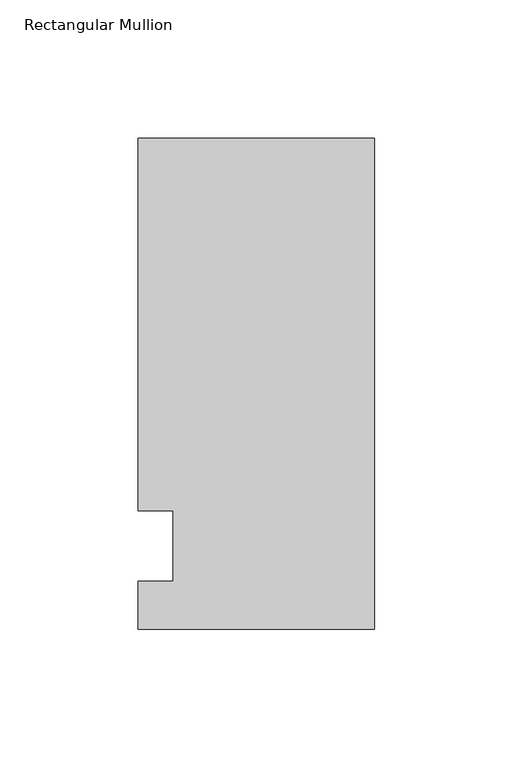
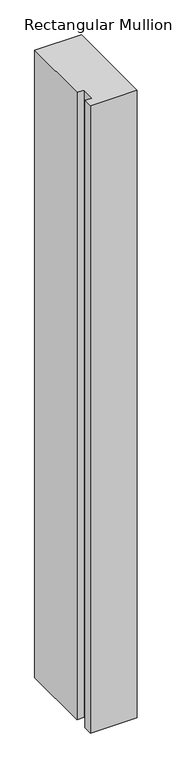
"""IFC4 building model written with IfcOpenShell, lengths in millimetres: member geometry, Rectangular Mullion."""

from ifc_helpers import new_model, si_unit, frame, origin, place, context, project, spatial, polyline, outline, extrude, source, transform, mapped, element, save


def rectangular_mullion_00801b29(model_context):
    return source(origin(), model_context, "Body", "SweptSolid", [
        extrude(outline(polyline([(-85.725, 147.6375), (0.0, 147.6375), (0.0, -30.1625), (-85.725, -30.1625), (-85.725, -12.7), (-73.0232296, -12.7), (-73.0232296, 12.7), (-85.725, 12.7), (-85.725, 147.6375)])), frame((0.0, 0.0, -1219.2), z_axis=(0.0, 0.0, 1.0), x_axis=(1.0, 0.0, 0.0)), (0.0, 0.0, 1.0), 1219.2),
    ])


if __name__ == "__main__":
    model = new_model("IFC4")
    model_context = context("Model", 3, world=origin())
    ifc_project = project(units=[si_unit("LENGTHUNIT", "METRE", prefix="MILLI")], contexts=[model_context])
    site = spatial("IfcSite", under=ifc_project)
    building = spatial("IfcBuilding", under=site)
    placement = place(None, origin())
    rectangular_mullion_shape = rectangular_mullion_00801b29(model_context)
    element("IfcMember", 1, ObjectType="Rectangular Mullion", at=placement, inside=building, context=model_context, shape_type="MappedRepresentation", body=[
        mapped(rectangular_mullion_shape, transform((0.0, 0.0, 0.0), x_axis=(1.0, 0.0, 0.0), y_axis=(0.0, 1.0, 0.0), z_axis=(0.0, 0.0, 1.0))),
    ])
    save(model, "model.ifc")
